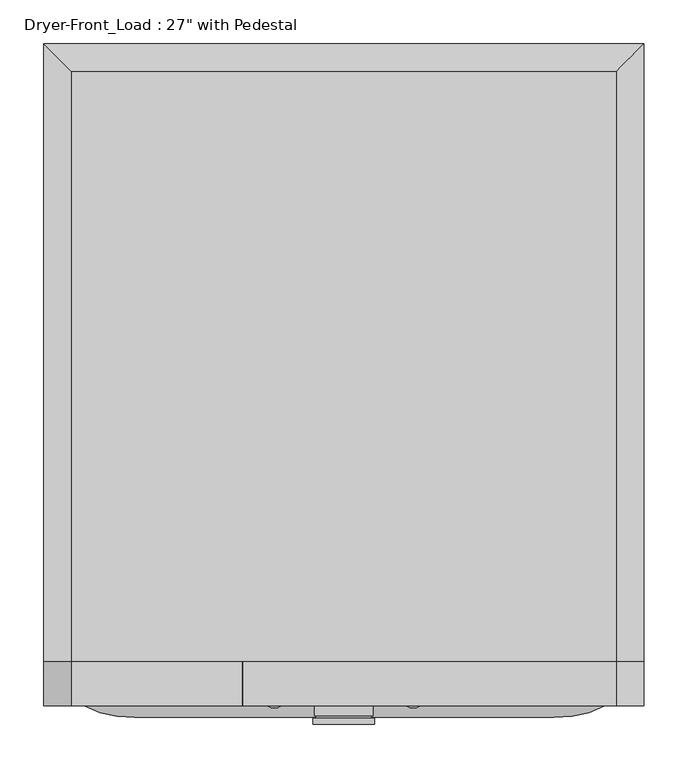
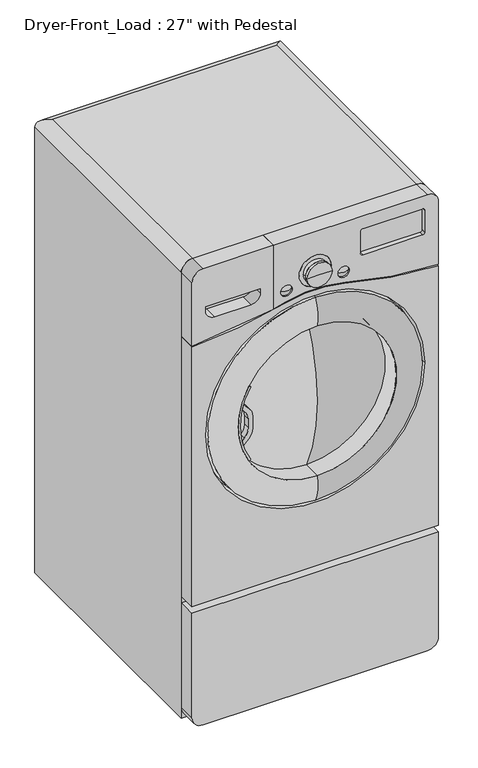
"""IFC4 building model written with IfcOpenShell, lengths in millimetres: proxy geometry."""

from ifc_helpers import new_model, si_unit, point, frame, frame_2d, origin, place, context, project, spatial, polyline, circle_curve, ellipse_curve, trimmed, segment, composite_curve, outline, extrude, source, transform, mapped, element, save
from ifc_brep_helpers import plane_surface, cylinder_surface, revolved_surface, advanced_brep


def proxy_56d4ec22(model_context):
    return source(origin(), model_context, "Body", "SolidModel", [
        advanced_brep(
        [(-311.15, -806.45, 1341.4375), (311.15, -806.45, 1341.4375), (311.15, -133.35, 1341.4375), (-311.15, -133.35, 1341.4375), (342.9, -101.6, 0.0), (342.9, -806.45, 0.0), (-342.9, -806.45, 0.0), (-342.9, -101.6, 0.0), (-342.9, -101.6, 1309.6875), (342.9, -101.6, 1309.6875), (-342.9, -806.45, 1309.6875), (342.9, -806.45, 1309.6875)],
        [
            (0, 1),
            (1, 2),
            (2, 3),
            (3, 0),
            (4, 5),
            (5, 6),
            (6, 7),
            (7, 4),
            (7, 8),
            (8, 9),
            (9, 4),
            (6, 10),
            (10, 8),
            (5, 11),
            (11, 1, circle_curve(frame((311.15, -806.45, 1309.6875), z_axis=(0.0, -1.0, 0.0), x_axis=(-1.0, 0.0, 0.0)), 31.75)),
            (0, 10, circle_curve(frame((-311.15, -806.45, 1309.6875), z_axis=(0.0, -1.0, 0.0), x_axis=(1.0, 0.0, 0.0)), 31.75)),
            (9, 11),
            (9, 2, ellipse_curve(frame((311.15, -133.35, 1309.6875), z_axis=(0.7071067811865475, -0.7071067811865475, 0.0), x_axis=(0.7071067811865474, 0.7071067811865476, 0.0)), 44.9012806, 31.75)),
            (8, 3, ellipse_curve(frame((-311.15, -133.35, 1309.6875), z_axis=(0.7071067811865475, 0.7071067811865476, 0.0), x_axis=(-0.7071067811865476, 0.7071067811865475, 0.0)), 44.9012806, 31.75)),
        ],
        [
            plane_surface(frame((-342.9, -101.6, 1341.4375), z_axis=(0.0, 0.0, 1.0), x_axis=(-1.0, 0.0, 0.0))),
            plane_surface(frame((-342.9, -101.6, 0.0), z_axis=(0.0, 0.0, -1.0), x_axis=(1.0, 0.0, 0.0))),
            plane_surface(frame((342.9, -101.6, 1341.4375), z_axis=(0.0, 1.0, 0.0), x_axis=(0.0, 0.0, -1.0))),
            plane_surface(frame((-342.9, -101.6, 1341.4375), z_axis=(-1.0, 0.0, 0.0), x_axis=(0.0, 0.0, -1.0))),
            plane_surface(frame((-342.9, -806.45, 1341.4375), z_axis=(0.0, -1.0, 0.0), x_axis=(0.0, 0.0, -1.0))),
            plane_surface(frame((342.9, -806.45, 1341.4375), z_axis=(1.0, 0.0, 0.0), x_axis=(0.0, 0.0, -1.0))),
            cylinder_surface(frame((311.15, -806.45, 1309.6875), z_axis=(0.0, 1.0, 0.0), x_axis=(-1.0, 0.0, 0.0)), 31.75),
            cylinder_surface(frame((342.9, -133.35, 1309.6875), z_axis=(-1.0, 0.0, 0.0), x_axis=(0.0, -1.0, 0.0)), 31.75),
            cylinder_surface(frame((-311.15, -101.6, 1309.6875), z_axis=(0.0, -1.0, 0.0), x_axis=(1.0, 0.0, 0.0)), 31.75),
        ],
        [
            (0, [[1, 2, 3, 4]]),
            (1, [[5, 6, 7, 8]]),
            (2, [[-8, 9, 10, 11]]),
            (3, [[-7, 12, 13, -9]]),
            (4, [[-6, 14, 15, -1, 16, -12]]),
            (5, [[-5, -11, 17, -14]]),
            (6, [[18, -2, -15, -17]]),
            (7, [[-18, -10, 19, -3]]),
            (8, [[-19, -13, -16, -4]]),
        ],
    ),
        advanced_brep(
        [(311.15, -806.45, 1341.4375), (342.9, -806.45, 1309.6875), (342.9, -806.45, 1124.7335923), (83.8185478, -806.45, 1162.9213288), (-83.8185478, -806.45, 1162.9213288), (-114.8640352, -806.45, 1155.0697282), (-114.8640352, -806.45, 1341.4375), (-63.5, -806.45, 1195.3875), (-95.25, -806.45, 1195.3875), (95.25, -806.45, 1195.3875), (63.5, -806.45, 1195.3875), (-44.45, -806.45, 1227.1375), (44.45, -806.45, 1227.1375), (-83.8185478, -857.25, 1162.9213288), (83.8185478, -857.25, 1162.9213288), (342.9, -857.25, 1124.7335923), (342.9, -857.25, 1309.6875), (311.15, -857.25, 1341.4375), (-114.8640352, -857.25, 1341.4375), (-114.8640352, -857.25, 1155.0697282), (-63.5, -857.25, 1195.3875), (-95.25, -857.25, 1195.3875), (95.25, -857.25, 1195.3875), (63.5, -857.25, 1195.3875), (298.45, -857.25, 1227.1375), (133.35, -857.25, 1227.1375), (127.0, -857.25, 1233.4875), (127.0, -857.25, 1296.9875), (133.35, -857.25, 1303.3375), (298.45, -857.25, 1303.3375), (304.8, -857.25, 1296.9875), (304.8, -857.25, 1233.4875), (44.45, -857.25, 1227.1375), (-44.45, -857.25, 1227.1375), (298.45, -844.55, 1227.1375), (304.8, -844.55, 1233.4875), (304.8, -844.55, 1296.9875), (298.45, -844.55, 1303.3375), (133.35, -844.55, 1303.3375), (127.0, -844.55, 1296.9875), (127.0, -844.55, 1233.4875), (133.35, -844.55, 1227.1375)],
        [
            (0, 1, circle_curve(frame((311.15, -806.45, 1309.6875), z_axis=(0.0, 1.0, 0.0), x_axis=(-1.0, 0.0, 0.0)), 31.75)),
            (1, 2),
            (2, 3, circle_curve(frame((378.000978, -806.45, 2260.8251052), z_axis=(0.0, 1.0, 0.0), x_axis=(-1.0, 0.0, 0.0)), 1136.633628)),
            (3, 4, circle_curve(frame((0.0, -806.45, 850.10625), z_axis=(0.0, -1.0, 0.0), x_axis=(-1.0, 0.0, 0.0)), 323.85)),
            (4, 5, circle_curve(frame((-378.000978, -806.45, 2260.8251052), z_axis=(0.0, 1.0, 0.0), x_axis=(-1.0, 0.0, 0.0)), 1136.633628)),
            (5, 6),
            (6, 0),
            (7, 8, circle_curve(frame((-79.375, -806.45, 1195.3875), z_axis=(0.0, -1.0, 0.0), x_axis=(-1.0, 0.0, 0.0)), 15.875)),
            (8, 7, circle_curve(frame((-79.375, -806.45, 1195.3875), z_axis=(0.0, -1.0, 0.0), x_axis=(-1.0, 0.0, 0.0)), 15.875)),
            (9, 10, circle_curve(frame((79.375, -806.45, 1195.3875), z_axis=(0.0, -1.0, 0.0), x_axis=(-1.0, 0.0, 0.0)), 15.875)),
            (10, 9, circle_curve(frame((79.375, -806.45, 1195.3875), z_axis=(0.0, -1.0, 0.0), x_axis=(-1.0, 0.0, 0.0)), 15.875)),
            (11, 12, circle_curve(frame((0.0, -806.45, 1227.1375), z_axis=(0.0, -1.0, 0.0), x_axis=(-1.0, 0.0, 0.0)), 44.45)),
            (12, 11, circle_curve(frame((0.0, -806.45, 1227.1375), z_axis=(0.0, -1.0, 0.0), x_axis=(-1.0, 0.0, 0.0)), 44.45)),
            (13, 14, circle_curve(frame((0.0, -857.25, 850.10625), z_axis=(0.0, 1.0, 0.0), x_axis=(-1.0, 0.0, 0.0)), 323.85)),
            (14, 15, circle_curve(frame((378.000978, -857.25, 2260.8251052), z_axis=(0.0, -1.0, 0.0), x_axis=(-1.0, 0.0, 0.0)), 1136.633628)),
            (15, 16),
            (16, 17, circle_curve(frame((311.15, -857.25, 1309.6875), z_axis=(0.0, -1.0, 0.0), x_axis=(-1.0, 0.0, 0.0)), 31.75)),
            (17, 18),
            (18, 19),
            (19, 13, circle_curve(frame((-378.000978, -857.25, 2260.8251052), z_axis=(0.0, -1.0, 0.0), x_axis=(-1.0, 0.0, 0.0)), 1136.633628)),
            (20, 21, circle_curve(frame((-79.375, -857.25, 1195.3875), z_axis=(0.0, 1.0, 0.0), x_axis=(-1.0, 0.0, 0.0)), 15.875)),
            (21, 20, circle_curve(frame((-79.375, -857.25, 1195.3875), z_axis=(0.0, 1.0, 0.0), x_axis=(-1.0, 0.0, 0.0)), 15.875)),
            (22, 23, circle_curve(frame((79.375, -857.25, 1195.3875), z_axis=(0.0, 1.0, 0.0), x_axis=(-1.0, 0.0, 0.0)), 15.875)),
            (23, 22, circle_curve(frame((79.375, -857.25, 1195.3875), z_axis=(0.0, 1.0, 0.0), x_axis=(-1.0, 0.0, 0.0)), 15.875)),
            (24, 25),
            (25, 26, circle_curve(frame((133.35, -857.25, 1233.4875), z_axis=(0.0, 1.0, 0.0), x_axis=(-1.0, 0.0, 0.0)), 6.35)),
            (26, 27),
            (27, 28, circle_curve(frame((133.35, -857.25, 1296.9875), z_axis=(0.0, 1.0, 0.0), x_axis=(-1.0, 0.0, 0.0)), 6.35)),
            (28, 29),
            (29, 30, circle_curve(frame((298.45, -857.25, 1296.9875), z_axis=(0.0, 1.0, 0.0), x_axis=(-1.0, 0.0, 0.0)), 6.35)),
            (30, 31),
            (31, 24, circle_curve(frame((298.45, -857.25, 1233.4875), z_axis=(0.0, 1.0, 0.0), x_axis=(-1.0, 0.0, 0.0)), 6.35)),
            (32, 33, circle_curve(frame((0.0, -857.25, 1227.1375), z_axis=(0.0, 1.0, 0.0), x_axis=(-1.0, 0.0, 0.0)), 44.45)),
            (33, 32, circle_curve(frame((0.0, -857.25, 1227.1375), z_axis=(0.0, 1.0, 0.0), x_axis=(-1.0, 0.0, 0.0)), 44.45)),
            (17, 0),
            (6, 18),
            (16, 1),
            (15, 2),
            (14, 3),
            (13, 4),
            (19, 5),
            (34, 35, circle_curve(frame((298.45, -844.55, 1233.4875), z_axis=(0.0, -1.0, 0.0), x_axis=(-1.0, 0.0, 0.0)), 6.35)),
            (35, 36),
            (36, 37, circle_curve(frame((298.45, -844.55, 1296.9875), z_axis=(0.0, -1.0, 0.0), x_axis=(-1.0, 0.0, 0.0)), 6.35)),
            (37, 38),
            (38, 39, circle_curve(frame((133.35, -844.55, 1296.9875), z_axis=(0.0, -1.0, 0.0), x_axis=(-1.0, 0.0, 0.0)), 6.35)),
            (39, 40),
            (40, 41, circle_curve(frame((133.35, -844.55, 1233.4875), z_axis=(0.0, -1.0, 0.0), x_axis=(-1.0, 0.0, 0.0)), 6.35)),
            (41, 34),
            (41, 25),
            (24, 34),
            (40, 26),
            (39, 27),
            (38, 28),
            (37, 29),
            (36, 30),
            (35, 31),
            (7, 20),
            (21, 8),
            (9, 22),
            (23, 10),
            (11, 33),
            (32, 12),
        ],
        [
            plane_surface(frame((279.4, -806.45, 1309.6875), z_axis=(0.0, 1.0, 0.0), x_axis=(0.0, 0.0, 1.0))),
            plane_surface(frame((279.4, -857.25, 1309.6875), z_axis=(0.0, -1.0, 0.0), x_axis=(0.0, 0.0, -1.0))),
            plane_surface(frame((-311.15, -806.45, 1341.4375), z_axis=(0.0, 0.0, 1.0), x_axis=(0.0, -1.0, 0.0))),
            cylinder_surface(frame((311.15, -857.25, 1309.6875), z_axis=(0.0, 1.0, 0.0), x_axis=(-1.0, 0.0, 0.0)), 31.75),
            plane_surface(frame((342.9, -806.45, 1309.6875), z_axis=(1.0, 0.0, 0.0), x_axis=(0.0, -1.0, 0.0))),
            cylinder_surface(frame((378.000978, -857.25, 2260.8251052), z_axis=(0.0, 1.0, 0.0), x_axis=(-1.0, 0.0, 0.0)), 1136.633628),
            revolved_surface(polyline([(-323.85, -857.25, 850.10625), (-323.85, -806.45, 850.10625)]), (0.0, -857.25, 850.10625), (0.0, -1.0, 0.0)),
            cylinder_surface(frame((-378.000978, -857.25, 2260.8251052), z_axis=(0.0, 1.0, 0.0), x_axis=(-1.0, 0.0, 0.0)), 1136.633628),
            plane_surface(frame((-114.8640352, -806.45, 1341.4375), z_axis=(-1.0, 0.0, 0.0), x_axis=(0.0, -1.0, 0.0))),
            plane_surface(frame((133.35, -844.55, 1227.1375), z_axis=(0.0, -1.0, 0.0), x_axis=(-1.0, 0.0, 0.0))),
            plane_surface(frame((298.45, -844.55, 1227.1375), z_axis=(0.0, 0.0, 1.0), x_axis=(0.0, -1.0, 0.0))),
            revolved_surface(polyline([(127.0, -844.55, 1233.4875), (127.0, -857.25, 1233.4875)]), (133.35, -857.25, 1233.4875), (0.0, 1.0, 0.0)),
            plane_surface(frame((127.0, -844.55, 1233.4875), z_axis=(1.0, 0.0, 0.0), x_axis=(0.0, -1.0, 0.0))),
            revolved_surface(polyline([(127.0, -844.55, 1296.9875), (127.0, -857.25, 1296.9875)]), (133.35, -857.25, 1296.9875), (0.0, 1.0, 0.0)),
            plane_surface(frame((133.35, -844.55, 1303.3375), z_axis=(0.0, 0.0, -1.0), x_axis=(0.0, -1.0, 0.0))),
            revolved_surface(polyline([(292.09999999999997, -844.55, 1296.9875), (292.09999999999997, -857.25, 1296.9875)]), (298.45, -857.25, 1296.9875), (0.0, 1.0, 0.0)),
            plane_surface(frame((304.8, -844.55, 1296.9875), z_axis=(-1.0, 0.0, 0.0), x_axis=(0.0, -1.0, 0.0))),
            revolved_surface(polyline([(292.09999999999997, -844.55, 1233.4875), (292.09999999999997, -857.25, 1233.4875)]), (298.45, -857.25, 1233.4875), (0.0, 1.0, 0.0)),
            revolved_surface(polyline([(-95.25, -857.25, 1195.3875), (-95.25, -806.45, 1195.3875)]), (-79.375, -857.25, 1195.3875), (0.0, -1.0, 0.0)),
            revolved_surface(polyline([(63.5, -857.25, 1195.3875), (63.5, -806.45, 1195.3875)]), (79.375, -857.25, 1195.3875), (0.0, -1.0, 0.0)),
            revolved_surface(polyline([(-44.45, -806.45, 1227.1375), (-44.45, -857.25, 1227.1375)]), (0.0, -857.25, 1227.1375), (0.0, 1.0, 0.0)),
        ],
        [
            (0, [[1, 2, 3, 4, 5, 6, 7], [8, 9], [10, 11], [12, 13]]),
            (1, [[14, 15, 16, 17, 18, 19, 20], [21, 22], [23, 24], [25, 26, 27, 28, 29, 30, 31, 32], [33, 34]]),
            (2, [[35, -7, 36, -18]]),
            (3, [[-1, -35, -17, 37]]),
            (4, [[-2, -37, -16, 38]]),
            (5, [[-3, -38, -15, 39]]),
            (6, [[-4, -39, -14, 40]]),
            (7, [[-40, -20, 41, -5]]),
            (8, [[-6, -41, -19, -36]]),
            (9, [[42, 43, 44, 45, 46, 47, 48, 49]]),
            (10, [[-49, 50, -25, 51]]),
            (11, [[-48, 52, -26, -50]]),
            (12, [[-47, 53, -27, -52]]),
            (13, [[-46, 54, -28, -53]]),
            (14, [[-45, 55, -29, -54]]),
            (15, [[-44, 56, -30, -55]]),
            (16, [[-43, 57, -31, -56]]),
            (17, [[-42, -51, -32, -57]]),
            (18, [[-8, 58, -22, 59]]),
            (18, [[-9, -59, -21, -58]]),
            (19, [[-10, 60, -24, 61]]),
            (19, [[-11, -61, -23, -60]]),
            (20, [[62, -33, 63, -12]]),
            (20, [[-62, -13, -63, -34]]),
        ],
    ),
        advanced_brep(
        [(-342.9, -806.45, 1124.7335923), (-342.9, -806.45, 1309.6875), (-311.15, -806.45, 1341.4375), (-116.4515352, -806.45, 1341.4375), (-116.4515352, -806.45, 1154.693154), (-311.15, -857.25, 1341.4375), (-342.9, -857.25, 1309.6875), (-342.9, -857.25, 1124.7335923), (-116.4515352, -857.25, 1154.693154), (-116.4515352, -857.25, 1341.4375), (-152.4, -857.25, 1227.1375), (-152.4, -857.25, 1214.4375), (-177.8, -857.25, 1189.0375), (-279.4, -857.25, 1189.0375), (-304.8, -857.25, 1214.4375), (-304.8, -857.25, 1227.1375), (-152.4, -819.15, 1227.1375), (-304.8, -819.15, 1227.1375), (-304.8, -819.15, 1214.4375), (-279.4, -819.15, 1189.0375), (-177.8, -819.15, 1189.0375), (-152.4, -819.15, 1214.4375)],
        [
            (0, 1),
            (1, 2, circle_curve(frame((-311.15, -806.45, 1309.6875), z_axis=(0.0, 1.0, 0.0), x_axis=(-1.0, 0.0, 0.0)), 31.75)),
            (2, 3),
            (3, 4),
            (4, 0, circle_curve(frame((-378.000978, -806.45, 2260.8251052), z_axis=(0.0, 1.0, 0.0), x_axis=(-1.0, 0.0, 0.0)), 1136.633628)),
            (5, 6, circle_curve(frame((-311.15, -857.25, 1309.6875), z_axis=(0.0, -1.0, 0.0), x_axis=(-1.0, 0.0, 0.0)), 31.75)),
            (6, 7),
            (7, 8, circle_curve(frame((-378.000978, -857.25, 2260.8251052), z_axis=(0.0, -1.0, 0.0), x_axis=(-1.0, 0.0, 0.0)), 1136.633628)),
            (8, 9),
            (9, 5),
            (10, 11),
            (11, 12, circle_curve(frame((-177.8, -857.25, 1214.4375), z_axis=(0.0, 1.0, 0.0), x_axis=(-1.0, 0.0, 0.0)), 25.4)),
            (12, 13),
            (13, 14, circle_curve(frame((-279.4, -857.25, 1214.4375), z_axis=(0.0, 1.0, 0.0), x_axis=(-1.0, 0.0, 0.0)), 25.4)),
            (14, 15),
            (15, 10),
            (2, 5),
            (9, 3),
            (7, 0),
            (4, 8),
            (6, 1),
            (16, 17),
            (17, 18),
            (18, 19, circle_curve(frame((-279.4, -819.15, 1214.4375), z_axis=(0.0, -1.0, 0.0), x_axis=(-1.0, 0.0, 0.0)), 25.4)),
            (19, 20),
            (20, 21, circle_curve(frame((-177.8, -819.15, 1214.4375), z_axis=(0.0, -1.0, 0.0), x_axis=(-1.0, 0.0, 0.0)), 25.4)),
            (21, 16),
            (21, 11),
            (10, 16),
            (20, 12),
            (19, 13),
            (18, 14),
            (17, 15),
        ],
        [
            plane_surface(frame((279.4, -806.45, 1309.6875), z_axis=(0.0, 1.0, 0.0), x_axis=(0.0, 0.0, 1.0))),
            plane_surface(frame((279.4, -857.25, 1309.6875), z_axis=(0.0, -1.0, 0.0), x_axis=(0.0, 0.0, -1.0))),
            plane_surface(frame((-311.15, -806.45, 1341.4375), z_axis=(0.0, 0.0, 1.0), x_axis=(0.0, -1.0, 0.0))),
            cylinder_surface(frame((-378.000978, -857.25, 2260.8251052), z_axis=(0.0, 1.0, 0.0), x_axis=(-1.0, 0.0, 0.0)), 1136.633628),
            plane_surface(frame((-342.9, -806.45, 1124.7335923), z_axis=(-1.0, 0.0, 0.0), x_axis=(0.0, -1.0, 0.0))),
            cylinder_surface(frame((-311.15, -857.25, 1309.6875), z_axis=(0.0, 1.0, 0.0), x_axis=(-1.0, 0.0, 0.0)), 31.75),
            plane_surface(frame((-152.4, -819.15, 1227.1375), z_axis=(0.0, -1.0, 0.0), x_axis=(0.0, 0.0, -1.0))),
            plane_surface(frame((-152.4, -819.15, 1227.1375), z_axis=(-1.0, 0.0, 0.0), x_axis=(0.0, -1.0, 0.0))),
            revolved_surface(polyline([(-203.20000000000002, -819.15, 1214.4375), (-203.20000000000002, -857.25, 1214.4375)]), (-177.8, -857.25, 1214.4375), (0.0, 1.0, 0.0)),
            plane_surface(frame((-177.8, -819.15, 1189.0375), z_axis=(0.0, 0.0, 1.0), x_axis=(0.0, -1.0, 0.0))),
            revolved_surface(polyline([(-304.79999999999995, -819.15, 1214.4375), (-304.79999999999995, -857.25, 1214.4375)]), (-279.4, -857.25, 1214.4375), (0.0, 1.0, 0.0)),
            plane_surface(frame((-304.8, -819.15, 1214.4375), z_axis=(1.0, 0.0, 0.0), x_axis=(0.0, -1.0, 0.0))),
            plane_surface(frame((-304.8, -819.15, 1227.1375), z_axis=(0.0, 0.0, -1.0), x_axis=(0.0, -1.0, 0.0))),
            plane_surface(frame((-116.4515352, -806.45, 1154.3581938), z_axis=(1.0, 0.0, 0.0), x_axis=(0.0, -1.0, 0.0))),
        ],
        [
            (0, [[1, 2, 3, 4, 5]]),
            (1, [[6, 7, 8, 9, 10], [11, 12, 13, 14, 15, 16]]),
            (2, [[17, -10, 18, -3]]),
            (3, [[19, -5, 20, -8]]),
            (4, [[-1, -19, -7, 21]]),
            (5, [[-2, -21, -6, -17]]),
            (6, [[22, 23, 24, 25, 26, 27]]),
            (7, [[-27, 28, -11, 29]]),
            (8, [[-26, 30, -12, -28]]),
            (9, [[-25, 31, -13, -30]]),
            (10, [[-24, 32, -14, -31]]),
            (11, [[-23, 33, -15, -32]]),
            (12, [[-22, -29, -16, -33]]),
            (13, [[-4, -18, -9, -20]]),
        ],
    ),
        advanced_brep(
        [(-342.9, -806.45, 1121.5570815), (-82.9967973, -806.45, 1159.8545143), (82.9967973, -806.45, 1159.8545143), (342.9, -806.45, 1121.5570815), (342.9, -806.45, 358.775), (-342.9, -806.45, 358.775), (304.8, -806.45, 850.10625), (-304.8, -806.45, 850.10625), (342.9, -857.25, 1121.5570815), (82.9967973, -857.25, 1159.8545143), (-82.9967973, -857.25, 1159.8545143), (-342.9, -857.25, 1121.5570815), (-342.9, -857.25, 358.775), (342.9, -857.25, 358.775), (304.8, -857.25, 850.10625), (-304.8, -857.25, 850.10625)],
        [
            (0, 1, circle_curve(frame((-378.000978, -806.45, 2260.8251052), z_axis=(0.0, -1.0, 0.0), x_axis=(-1.0, 0.0, 0.0)), 1139.808628)),
            (1, 2, circle_curve(frame((0.0, -806.45, 850.10625), z_axis=(0.0, 1.0, 0.0), x_axis=(-1.0, 0.0, 0.0)), 320.675)),
            (2, 3, circle_curve(frame((378.000978, -806.45, 2260.8251052), z_axis=(0.0, -1.0, 0.0), x_axis=(-1.0, 0.0, 0.0)), 1139.808628)),
            (3, 4),
            (4, 5),
            (5, 0),
            (6, 7, circle_curve(frame((0.0, -806.45, 850.10625), z_axis=(0.0, -1.0, 0.0), x_axis=(-1.0, 0.0, 0.0)), 304.8)),
            (7, 6, circle_curve(frame((0.0, -806.45, 850.10625), z_axis=(0.0, -1.0, 0.0), x_axis=(-1.0, 0.0, 0.0)), 304.8)),
            (8, 9, circle_curve(frame((378.000978, -857.25, 2260.8251052), z_axis=(0.0, 1.0, 0.0), x_axis=(-1.0, 0.0, 0.0)), 1139.808628)),
            (9, 10, circle_curve(frame((0.0, -857.25, 850.10625), z_axis=(0.0, -1.0, 0.0), x_axis=(-1.0, 0.0, 0.0)), 320.675)),
            (10, 11, circle_curve(frame((-378.000978, -857.25, 2260.8251052), z_axis=(0.0, 1.0, 0.0), x_axis=(-1.0, 0.0, 0.0)), 1139.808628)),
            (11, 12),
            (12, 13),
            (13, 8),
            (14, 15, circle_curve(frame((0.0, -857.25, 850.10625), z_axis=(0.0, 1.0, 0.0), x_axis=(-1.0, 0.0, 0.0)), 304.8)),
            (15, 14, circle_curve(frame((0.0, -857.25, 850.10625), z_axis=(0.0, 1.0, 0.0), x_axis=(-1.0, 0.0, 0.0)), 304.8)),
            (3, 8),
            (13, 4),
            (11, 0),
            (5, 12),
            (10, 1),
            (9, 2),
            (6, 14),
            (15, 7),
        ],
        [
            plane_surface(frame((279.4, -806.45, 1309.6875), z_axis=(0.0, 1.0, 0.0), x_axis=(0.0, 0.0, 1.0))),
            plane_surface(frame((279.4, -857.25, 1309.6875), z_axis=(0.0, -1.0, 0.0), x_axis=(0.0, 0.0, -1.0))),
            plane_surface(frame((342.9, -806.45, 1121.5570815), z_axis=(1.0, 0.0, 0.0), x_axis=(0.0, -1.0, 0.0))),
            plane_surface(frame((-342.9, -806.45, 31.75), z_axis=(-1.0, 0.0, 0.0), x_axis=(0.0, -1.0, 0.0))),
            revolved_surface(polyline([(-1517.809606, -857.25, 2260.8251052), (-1517.809606, -806.45, 2260.8251052)]), (-378.000978, -857.25, 2260.8251052), (0.0, -1.0, 0.0)),
            cylinder_surface(frame((0.0, -857.25, 850.10625), z_axis=(0.0, 1.0, 0.0), x_axis=(-1.0, 0.0, 0.0)), 320.675),
            revolved_surface(polyline([(-761.80765, -857.25, 2260.8251052), (-761.80765, -806.45, 2260.8251052)]), (378.000978, -857.25, 2260.8251052), (0.0, -1.0, 0.0)),
            revolved_surface(polyline([(-304.8, -857.25, 850.10625), (-304.8, -806.45, 850.10625)]), (0.0, -857.25, 850.10625), (0.0, -1.0, 0.0)),
            plane_surface(frame((342.9, -806.45, 358.775), z_axis=(0.0, 0.0, -1.0), x_axis=(-1.0, 0.0, 0.0))),
        ],
        [
            (0, [[1, 2, 3, 4, 5, 6], [7, 8]]),
            (1, [[9, 10, 11, 12, 13, 14], [15, 16]]),
            (2, [[17, -14, 18, -4]]),
            (3, [[19, -6, 20, -12]]),
            (4, [[-1, -19, -11, 21]]),
            (5, [[-2, -21, -10, 22]]),
            (6, [[-3, -22, -9, -17]]),
            (7, [[-7, 23, -16, 24]]),
            (7, [[-8, -24, -15, -23]]),
            (8, [[-5, -18, -13, -20]]),
        ],
    ),
        advanced_brep(
        [(342.9, -806.45, 31.75), (311.15, -806.45, 0.0), (-311.15, -806.45, 0.0), (-342.9, -806.45, 31.75), (-342.9, -806.45, 339.725), (342.9, -806.45, 339.725), (-342.9, -857.25, 31.75), (-311.15, -857.25, 0.0), (311.15, -857.25, 0.0), (342.9, -857.25, 31.75), (342.9, -857.25, 339.725), (-342.9, -857.25, 339.725)],
        [
            (0, 1, circle_curve(frame((311.15, -806.45, 31.75), z_axis=(0.0, 1.0, 0.0), x_axis=(-1.0, 0.0, 0.0)), 31.75)),
            (1, 2),
            (2, 3, circle_curve(frame((-311.15, -806.45, 31.75), z_axis=(0.0, 1.0, 0.0), x_axis=(-1.0, 0.0, 0.0)), 31.75)),
            (3, 4),
            (4, 5),
            (5, 0),
            (6, 7, circle_curve(frame((-311.15, -857.25, 31.75), z_axis=(0.0, -1.0, 0.0), x_axis=(-1.0, 0.0, 0.0)), 31.75)),
            (7, 8),
            (8, 9, circle_curve(frame((311.15, -857.25, 31.75), z_axis=(0.0, -1.0, 0.0), x_axis=(-1.0, 0.0, 0.0)), 31.75)),
            (9, 10),
            (10, 11),
            (11, 6),
            (9, 0),
            (5, 10),
            (1, 8),
            (7, 2),
            (3, 6),
            (11, 4),
        ],
        [
            plane_surface(frame((279.4, -806.45, 1309.6875), z_axis=(0.0, 1.0, 0.0), x_axis=(0.0, 0.0, 1.0))),
            plane_surface(frame((279.4, -857.25, 1309.6875), z_axis=(0.0, -1.0, 0.0), x_axis=(0.0, 0.0, -1.0))),
            plane_surface(frame((342.9, -806.45, 1121.5570815), z_axis=(1.0, 0.0, 0.0), x_axis=(0.0, -1.0, 0.0))),
            plane_surface(frame((311.15, -806.45, 0.0), z_axis=(0.0, 0.0, -1.0), x_axis=(0.0, -1.0, 0.0))),
            plane_surface(frame((-342.9, -806.45, 31.75), z_axis=(-1.0, 0.0, 0.0), x_axis=(0.0, -1.0, 0.0))),
            cylinder_surface(frame((311.15, -857.25, 31.75), z_axis=(0.0, 1.0, 0.0), x_axis=(-1.0, 0.0, 0.0)), 31.75),
            cylinder_surface(frame((-311.15, -857.25, 31.75), z_axis=(0.0, 1.0, 0.0), x_axis=(-1.0, 0.0, 0.0)), 31.75),
            plane_surface(frame((342.9, -857.25, 339.725), z_axis=(0.0, 0.0, 1.0), x_axis=(-1.0, 0.0, 0.0))),
        ],
        [
            (0, [[1, 2, 3, 4, 5, 6]]),
            (1, [[7, 8, 9, 10, 11, 12]]),
            (2, [[13, -6, 14, -10]]),
            (3, [[-2, 15, -8, 16]]),
            (4, [[17, -12, 18, -4]]),
            (5, [[-1, -13, -9, -15]]),
            (6, [[-3, -16, -7, -17]]),
            (7, [[-5, -18, -11, -14]]),
        ],
    ),
        advanced_brep(
        [(0.0, -806.45, 629.8174111), (0.0, -806.45, 1070.3950889), (0.0, -806.45, 850.10625), (0.0, -813.7906335, 629.8174111), (0.0, -813.7906335, 1070.3950889), (0.0, -867.4304538, 850.10625)],
        [
            (0, 1, circle_curve(frame((0.0, -806.45, 850.10625), z_axis=(0.0, 1.0, 0.0), x_axis=(0.0, 0.0, 1.0)), 220.2888389)),
            (1, 2),
            (2, 0),
            (1, 0, circle_curve(frame((0.0, -806.45, 850.10625), z_axis=(0.0, 1.0, 0.0), x_axis=(0.0, 0.0, 1.0)), 220.2888389)),
            (3, 4, circle_curve(frame((0.0, -813.7906335, 850.10625), z_axis=(0.0, 1.0, 0.0), x_axis=(0.0, 0.0, 1.0)), 220.2888389)),
            (4, 1),
            (0, 3),
            (4, 3, circle_curve(frame((0.0, -813.7906335, 850.10625), z_axis=(0.0, 1.0, 0.0), x_axis=(0.0, 0.0, 1.0)), 220.2888389)),
            (5, 4, circle_curve(frame((0.0, -388.2677479, 850.10625), z_axis=(-1.0, 0.0, 0.0), x_axis=(0.0, 1.0, 0.0)), 479.1627059)),
            (3, 5, circle_curve(frame((0.0, -388.2677479, 850.10625), z_axis=(-1.0, 0.0, 0.0), x_axis=(0.0, 1.0, 0.0)), 479.1627059)),
        ],
        [
            plane_surface(frame((0.0, -806.45, 850.10625), z_axis=(0.0, 1.0, 0.0), x_axis=(0.0, 0.0, 1.0))),
            cylinder_surface(frame((0.0, 2097.4086068, 850.10625), z_axis=(0.0, -1.0, 0.0), x_axis=(0.0, 0.0, 1.0)), 220.2888389),
            revolved_surface(trimmed(ellipse_curve(frame((0.0, -388.2677479, 850.10625), z_axis=(1.0, 0.0, 0.0), x_axis=(0.0, 1.0, 0.0)), 479.1627059, 479.1627059), [point((0.0, -813.7906335, 1070.3950889))], [point((0.0, -867.4304538, 850.10625))], True, "CARTESIAN"), (0.0, 2097.4086068, 850.10625), (0.0, -1.0, 0.0)),
        ],
        [
            (0, [[1, 2, 3]]),
            (0, [[4, -3, -2]]),
            (1, [[5, 6, -1, 7]]),
            (1, [[8, -7, -4, -6]]),
            (2, [[9, -5, 10]]),
            (2, [[-10, -8, -9]]),
        ],
    ),
        advanced_brep(
        [(0.0, -867.4304538, 629.8174111), (0.0, -867.4304538, 1070.3950889), (0.0, -857.25, 1148.55625), (0.0, -857.25, 551.65625), (0.0, -806.45, 629.8174111), (0.0, -806.45, 1070.3950889), (0.0, -806.45, 551.65625), (0.0, -806.45, 1148.55625)],
        [
            (0, 1, circle_curve(frame((0.0, -867.4304538, 850.10625), z_axis=(0.0, 1.0, 0.0), x_axis=(0.0, 0.0, 1.0)), 220.2888389)),
            (1, 2, circle_curve(frame((0.0, -760.8552479, 1096.2572996), z_axis=(-1.0, 0.0, 0.0), x_axis=(0.0, 1.0, 0.0)), 109.6682655)),
            (2, 3, circle_curve(frame((0.0, -857.25, 850.10625), z_axis=(0.0, -1.0, 0.0), x_axis=(0.0, 0.0, 1.0)), 298.45)),
            (3, 0, circle_curve(frame((0.0, -760.8552479, 603.9552004), z_axis=(-1.0, 0.0, 0.0), x_axis=(0.0, 1.0, 0.0)), 109.6682655)),
            (1, 0, circle_curve(frame((0.0, -867.4304538, 850.10625), z_axis=(0.0, 1.0, 0.0), x_axis=(0.0, 0.0, 1.0)), 220.2888389)),
            (3, 2, circle_curve(frame((0.0, -857.25, 850.10625), z_axis=(0.0, -1.0, 0.0), x_axis=(0.0, 0.0, 1.0)), 298.45)),
            (4, 5, circle_curve(frame((0.0, -806.45, 850.10625), z_axis=(0.0, 1.0, 0.0), x_axis=(0.0, 0.0, 1.0)), 220.2888389)),
            (5, 1),
            (0, 4),
            (5, 4, circle_curve(frame((0.0, -806.45, 850.10625), z_axis=(0.0, 1.0, 0.0), x_axis=(0.0, 0.0, 1.0)), 220.2888389)),
            (6, 7, circle_curve(frame((0.0, -806.45, 850.10625), z_axis=(0.0, 1.0, 0.0), x_axis=(0.0, 0.0, 1.0)), 298.45)),
            (7, 5),
            (4, 6),
            (7, 6, circle_curve(frame((0.0, -806.45, 850.10625), z_axis=(0.0, 1.0, 0.0), x_axis=(0.0, 0.0, 1.0)), 298.45)),
            (2, 7),
            (6, 3),
        ],
        [
            revolved_surface(trimmed(ellipse_curve(frame((0.0, -760.8552479, 1096.2572996), z_axis=(1.0, 0.0, 0.0), x_axis=(0.0, 1.0, 0.0)), 109.6682655, 109.6682655), [point((0.0, -857.25, 1148.55625))], [point((0.0, -867.4304538, 1070.3950889))], True, "CARTESIAN"), (0.0, 2097.4086068, 850.10625), (0.0, -1.0, 0.0)),
            revolved_surface(polyline([(0.0, -867.4304538000001, 1070.3950889), (0.0, -806.4500000000003, 1070.3950889)]), (0.0, 2097.4086068, 850.10625), (0.0, -1.0, 0.0)),
            plane_surface(frame((0.0, -806.45, 850.10625), z_axis=(0.0, 1.0, 0.0), x_axis=(0.0, 0.0, 1.0))),
            cylinder_surface(frame((0.0, 2097.4086068, 850.10625), z_axis=(0.0, -1.0, 0.0), x_axis=(0.0, 0.0, 1.0)), 298.45),
        ],
        [
            (0, [[1, 2, 3, 4]]),
            (0, [[5, -4, 6, -2]]),
            (1, [[7, 8, -1, 9]]),
            (1, [[10, -9, -5, -8]]),
            (2, [[11, 12, -7, 13]]),
            (2, [[14, -13, -10, -12]]),
            (3, [[-3, 15, -11, 16]]),
            (3, [[-6, -16, -14, -15]]),
        ],
    ),
        extrude(outline(composite_curve([segment(polyline([(739.9618305, -190.7757307), (743.0242477, -185.4714685)]), True, "CONTINUOUS"), segment(trimmed(circle_curve(frame_2d((850.10625, 0.0)), 214.1640045), [point((743.0242477, -185.4714685))], [point((957.1882523, -185.4714685))], True, "CARTESIAN"), True, "CONTINUOUS"), segment(polyline([(957.1882523, -185.4714685), (960.2506695, -190.7757307)]), True, "CONTINUOUS"), segment(trimmed(circle_curve(frame_2d((850.10625, 0.0)), 220.2888389), [point((960.2506695, -190.7757307))], [point((739.9618305, -190.7757307))], False, "CARTESIAN"), True, "CONTINUOUS")], self_intersect=False)), frame((0.0, -867.4304538, 0.0), z_axis=(0.0, 1.0, 0.0), x_axis=(0.0, 0.0, 1.0)), (0.0, 0.0, 1.0), 53.6398203),
        extrude(outline(composite_curve([segment(trimmed(circle_curve(frame_2d((1227.1375, 0.0)), 44.45), [point((1227.1375, 44.45))], [point((1227.1375, -44.45))], False, "CARTESIAN"), True, "CONTINUOUS"), segment(trimmed(circle_curve(frame_2d((1227.1375, 0.0)), 44.45), [point((1227.1375, -44.45))], [point((1227.1375, 44.45))], False, "CARTESIAN"), True, "CONTINUOUS")], self_intersect=False)), frame((0.0, -857.25, 0.0), z_axis=(0.0, 1.0, 0.0), x_axis=(0.0, 0.0, 1.0)), (0.0, 0.0, 1.0), 50.8),
        extrude(outline(composite_curve([segment(trimmed(circle_curve(frame_2d((863.246476, -230.4251262)), 38.1), [point((890.1872443, -203.4843579))], [point((863.246476, -192.3251262))], True, "CARTESIAN"), True, "CONTINUOUS"), segment(polyline([(863.246476, -192.3251262), (837.8579869, -192.3251262)]), True, "CONTINUOUS"), segment(trimmed(circle_curve(frame_2d((837.8579869, -230.4251262)), 38.1), [point((837.8579869, -192.3251262))], [point((810.9172186, -203.4843579))], True, "CARTESIAN"), True, "CONTINUOUS"), segment(polyline([(810.9172186, -203.4843579), (803.9684249, -209.1351762)]), True, "CONTINUOUS"), segment(trimmed(circle_curve(frame_2d((850.10625, 0.0)), 214.1640045), [point((803.9684249, -209.1351762))], [point((790.6854187, -205.7556455))], False, "CARTESIAN"), True, "CONTINUOUS"), segment(polyline([(790.6854187, -205.7556455), (805.6567063, -190.7843579)]), True, "CONTINUOUS"), segment(trimmed(circle_curve(frame_2d((832.5974747, -217.7251262)), 38.1), [point((805.6567063, -190.7843579))], [point((832.5974747, -179.6251262))], False, "CARTESIAN"), True, "CONTINUOUS"), segment(polyline([(832.5974747, -179.6251262), (868.5069882, -179.6251262)]), True, "CONTINUOUS"), segment(trimmed(circle_curve(frame_2d((868.5069882, -217.7251262)), 38.1), [point((868.5069882, -179.6251262))], [point((895.4477566, -190.7843579))], False, "CARTESIAN"), True, "CONTINUOUS"), segment(polyline([(895.4477566, -190.7843579), (910.2181962, -205.5547974)]), True, "CONTINUOUS"), segment(trimmed(circle_curve(frame_2d((850.10625, 0.0)), 214.1640045), [point((910.2181962, -205.5547974))], [point((896.9885249, -208.9695507))], False, "CARTESIAN"), True, "CONTINUOUS"), segment(polyline([(896.9885249, -208.9695507), (890.1872443, -203.4843579)]), True, "CONTINUOUS")], self_intersect=False)), frame((0.0, -867.4304538, 0.0), z_axis=(0.0, 1.0, 0.0), x_axis=(0.0, 0.0, 1.0)), (0.0, 0.0, 1.0), 16.7688247),
        advanced_brep(
        [(79.375, -859.6059326, 1195.3875), (63.5, -853.2559326, 1195.3875), (95.25, -853.2559326, 1195.3875), (79.375, -853.2559326, 1195.3875)],
        [
            (0, 1, circle_curve(frame((81.0201143, -832.4743968, 1195.3875), z_axis=(0.0, 0.0, -1.0), x_axis=(-1.0, 0.0, 0.0)), 27.1813656)),
            (1, 2, circle_curve(frame((79.375, -853.2559326, 1195.3875), z_axis=(0.0, -1.0, 0.0), x_axis=(-1.0, 0.0, 0.0)), 15.875)),
            (2, 0, circle_curve(frame((77.7298857, -832.4743968, 1195.3875), z_axis=(0.0, 0.0, -1.0), x_axis=(1.0, 0.0, 0.0)), 27.1813656)),
            (2, 1, circle_curve(frame((79.375, -853.2559326, 1195.3875), z_axis=(0.0, -1.0, 0.0), x_axis=(-1.0, 0.0, 0.0)), 15.875)),
            (1, 3),
            (3, 2),
        ],
        [
            revolved_surface(trimmed(ellipse_curve(frame((81.0201143, -832.4743968, 1195.3875), z_axis=(0.0, 0.0, 1.0), x_axis=(-1.0, 0.0, 0.0)), 27.1813656, 27.1813656), [point((63.5, -853.2559326, 1195.3875))], [point((79.375, -859.6059326, 1195.3875))], True, "CARTESIAN"), (79.375, -911.9651131, 1195.3875), (0.0, -1.0, 0.0)),
            plane_surface(frame((79.375, -853.2559326, 1195.3875), z_axis=(0.0, 1.0, 0.0), x_axis=(-1.0, 0.0, 0.0))),
        ],
        [
            (0, [[1, 2, 3]]),
            (0, [[-3, 4, -1]]),
            (1, [[-2, 5, 6]]),
            (1, [[-4, -6, -5]]),
        ],
    ),
        advanced_brep(
        [(-79.375, -859.6059326, 1195.3875), (-95.25, -853.2559326, 1195.3875), (-63.5, -853.2559326, 1195.3875), (-79.375, -853.2559326, 1195.3875)],
        [
            (0, 1, circle_curve(frame((-77.7298857, -832.4743968, 1195.3875), z_axis=(0.0, 0.0, -1.0), x_axis=(-1.0, 0.0, 0.0)), 27.1813656)),
            (1, 2, circle_curve(frame((-79.375, -853.2559326, 1195.3875), z_axis=(0.0, -1.0, 0.0), x_axis=(-1.0, 0.0, 0.0)), 15.875)),
            (2, 0, circle_curve(frame((-81.0201143, -832.4743968, 1195.3875), z_axis=(0.0, 0.0, -1.0), x_axis=(1.0, 0.0, 0.0)), 27.1813656)),
            (2, 1, circle_curve(frame((-79.375, -853.2559326, 1195.3875), z_axis=(0.0, -1.0, 0.0), x_axis=(-1.0, 0.0, 0.0)), 15.875)),
            (1, 3),
            (3, 2),
        ],
        [
            revolved_surface(trimmed(ellipse_curve(frame((-77.7298857, -832.4743968, 1195.3875), z_axis=(0.0, 0.0, 1.0), x_axis=(-1.0, 0.0, 0.0)), 27.1813656, 27.1813656), [point((-95.25, -853.2559326, 1195.3875))], [point((-79.375, -859.6059326, 1195.3875))], True, "CARTESIAN"), (-79.375, -911.9651131, 1195.3875), (0.0, -1.0, 0.0)),
            plane_surface(frame((-79.375, -853.2559326, 1195.3875), z_axis=(0.0, 1.0, 0.0), x_axis=(-1.0, 0.0, 0.0))),
        ],
        [
            (0, [[1, 2, 3]]),
            (0, [[-3, 4, -1]]),
            (1, [[-2, 5, 6]]),
            (1, [[-4, -6, -5]]),
        ],
    ),
        advanced_brep(
        [(33.3375, -850.9, 1227.1375), (-33.3375, -850.9, 1227.1375), (0.0, -850.9, 1227.1375), (33.3375, -868.8199252, 1227.1375), (-33.3375, -868.8199252, 1227.1375), (31.75, -868.8199252, 1227.1375), (-31.75, -868.8199252, 1227.1375), (31.75, -871.9949252, 1227.1375), (-31.75, -871.9949252, 1227.1375), (34.925, -871.9949252, 1227.1375), (-34.925, -871.9949252, 1227.1375), (34.925, -878.3449252, 1227.1375), (-34.925, -878.3449252, 1227.1375), (0.0, -878.3449252, 1227.1375)],
        [
            (0, 1, circle_curve(frame((0.0, -850.9, 1227.1375), z_axis=(0.0, 1.0, 0.0), x_axis=(-1.0, 0.0, 0.0)), 33.3375)),
            (1, 2),
            (2, 0),
            (1, 0, circle_curve(frame((0.0, -850.9, 1227.1375), z_axis=(0.0, 1.0, 0.0), x_axis=(-1.0, 0.0, 0.0)), 33.3375)),
            (3, 4, circle_curve(frame((0.0, -868.8199252, 1227.1375), z_axis=(0.0, 1.0, 0.0), x_axis=(-1.0, 0.0, 0.0)), 33.3375)),
            (4, 1),
            (0, 3),
            (4, 3, circle_curve(frame((0.0, -868.8199252, 1227.1375), z_axis=(0.0, 1.0, 0.0), x_axis=(-1.0, 0.0, 0.0)), 33.3375)),
            (5, 6, circle_curve(frame((0.0, -868.8199252, 1227.1375), z_axis=(0.0, 1.0, 0.0), x_axis=(-1.0, 0.0, 0.0)), 31.75)),
            (6, 4),
            (3, 5),
            (6, 5, circle_curve(frame((0.0, -868.8199252, 1227.1375), z_axis=(0.0, 1.0, 0.0), x_axis=(-1.0, 0.0, 0.0)), 31.75)),
            (7, 8, circle_curve(frame((0.0, -871.9949252, 1227.1375), z_axis=(0.0, 1.0, 0.0), x_axis=(-1.0, 0.0, 0.0)), 31.75)),
            (8, 6),
            (5, 7),
            (8, 7, circle_curve(frame((0.0, -871.9949252, 1227.1375), z_axis=(0.0, 1.0, 0.0), x_axis=(-1.0, 0.0, 0.0)), 31.75)),
            (9, 10, circle_curve(frame((0.0, -871.9949252, 1227.1375), z_axis=(0.0, 1.0, 0.0), x_axis=(-1.0, 0.0, 0.0)), 34.925)),
            (10, 8),
            (7, 9),
            (10, 9, circle_curve(frame((0.0, -871.9949252, 1227.1375), z_axis=(0.0, 1.0, 0.0), x_axis=(-1.0, 0.0, 0.0)), 34.925)),
            (11, 12, circle_curve(frame((0.0, -878.3449252, 1227.1375), z_axis=(0.0, 1.0, 0.0), x_axis=(-1.0, 0.0, 0.0)), 34.925)),
            (12, 10),
            (9, 11),
            (12, 11, circle_curve(frame((0.0, -878.3449252, 1227.1375), z_axis=(0.0, 1.0, 0.0), x_axis=(-1.0, 0.0, 0.0)), 34.925)),
            (13, 12),
            (11, 13),
        ],
        [
            plane_surface(frame((0.0, -850.9, 1227.1375), z_axis=(0.0, 1.0, 0.0), x_axis=(-1.0, 0.0, 0.0))),
            cylinder_surface(frame((0.0, 1524.0, 1227.1375), z_axis=(0.0, -1.0, 0.0), x_axis=(-1.0, 0.0, 0.0)), 33.3375),
            plane_surface(frame((0.0, -868.8199252, 1227.1375), z_axis=(0.0, -1.0, 0.0), x_axis=(-1.0, 0.0, 0.0))),
            cylinder_surface(frame((0.0, 1524.0, 1227.1375), z_axis=(0.0, -1.0, 0.0), x_axis=(-1.0, 0.0, 0.0)), 31.75),
            plane_surface(frame((0.0, -871.9949252, 1227.1375), z_axis=(0.0, 1.0, 0.0), x_axis=(-1.0, 0.0, 0.0))),
            cylinder_surface(frame((0.0, 1524.0, 1227.1375), z_axis=(0.0, -1.0, 0.0), x_axis=(-1.0, 0.0, 0.0)), 34.925),
            plane_surface(frame((0.0, -878.3449252, 1227.1375), z_axis=(0.0, -1.0, 0.0), x_axis=(-1.0, 0.0, 0.0))),
        ],
        [
            (0, [[1, 2, 3]]),
            (0, [[4, -3, -2]]),
            (1, [[5, 6, -1, 7]]),
            (1, [[8, -7, -4, -6]]),
            (2, [[9, 10, -5, 11]]),
            (2, [[12, -11, -8, -10]]),
            (3, [[13, 14, -9, 15]]),
            (3, [[16, -15, -12, -14]]),
            (4, [[17, 18, -13, 19]]),
            (4, [[20, -19, -16, -18]]),
            (5, [[21, 22, -17, 23]]),
            (5, [[24, -23, -20, -22]]),
            (6, [[25, -21, 26]]),
            (6, [[-26, -24, -25]]),
        ],
    ),
    ])


if __name__ == "__main__":
    model = new_model("IFC4")
    model_context = context("Model", 3, world=origin())
    ifc_project = project(units=[si_unit("LENGTHUNIT", "METRE", prefix="MILLI")], contexts=[model_context])
    site = spatial("IfcSite", under=ifc_project)
    building = spatial("IfcBuilding", under=site)
    placement = place(None, origin())
    proxy_shape = proxy_56d4ec22(model_context)
    element("IfcBuildingElementProxy", 1, Name="Dryer-Front_Load : 27\" with Pedestal", ObjectType="Dryer-Front_Load : 27\" with Pedestal", at=placement, inside=building, context=model_context, shape_type="MappedRepresentation", body=[
        mapped(proxy_shape, transform((0.0, 0.0, 0.0), x_axis=(1.0, 0.0, 0.0), y_axis=(0.0, 1.0, 0.0), z_axis=(0.0, 0.0, 1.0))),
    ])
    save(model, "model.ifc")
